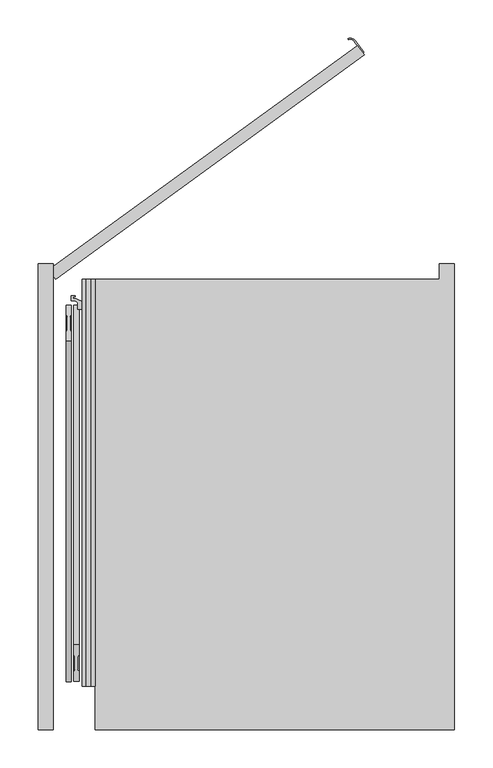
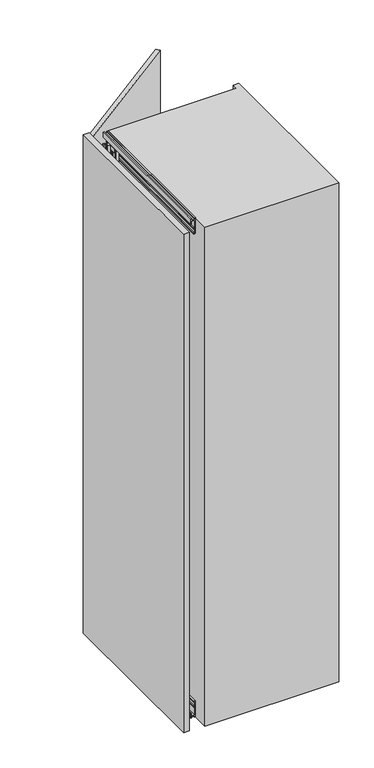
"""IFC4 building model written with IfcOpenShell, lengths in millimetres: furniture geometry."""

from ifc_helpers import new_model, si_unit, point, frame, frame_2d, origin, origin_with_axes, place, context, project, spatial, polyline, circle_curve, trimmed, segment, composite_curve, outline, extrude, faceted_brep, source, transform, mapped, element, save


def furniture_00e0ca67(model_context):
    return source(origin(), model_context, "Body", "SolidModel", [
        extrude(outline(composite_curve([segment(polyline([(350.7451414, 296.3196771), (339.8600452, 311.3017268)]), True, "CONTINUOUS"), segment(trimmed(circle_curve(frame_2d((334.2088338, 307.1958814)), 6.9852814), [point((339.8600452, 311.3017268))], [point((331.7055329, 313.7172034))], True, "CARTESIAN"), True, "CONTINUOUS"), segment(polyline([(331.7055329, 313.7172034), (331.167981, 315.117574)]), True, "CONTINUOUS"), segment(trimmed(circle_curve(frame_2d((334.2088338, 307.1958814)), 8.4852814), [point((331.167981, 315.117574))], [point((341.0735707, 312.1834047))], False, "CARTESIAN"), True, "CONTINUOUS"), segment(polyline([(341.0735707, 312.1834047), (351.9586669, 297.201355), (350.7451414, 296.3196771)]), True, "CONTINUOUS")], self_intersect=False)), frame((0.0, 0.0, 1110.0), z_axis=(0.0, 0.0, 1.0), x_axis=(1.0, 0.0, 0.0)), (0.0, 0.0, 1.0), 180.0),
        extrude(outline(polyline([(-60.8167788, 12.1352549), (343.6917184, 306.0278811), (352.5084972, 293.8926261), (-52.0, 0.0), (-60.8167788, 12.1352549)])), origin_with_axes(), (0.0, 0.0, 1.0), 1851.0),
        extrude(outline(polyline([(17.0, -17.0), (-2.0, -17.0), (-2.0, -12.75), (0.25, -12.75), (0.25, -15.0), (2.9, -15.0), (2.9, -3.0), (0.25, -3.0), (0.25, -5.25), (-2.0, -5.25), (-2.0, 0.0), (56.5663764, 0.0), (57.0913089, -6.0), (54.1547673, -6.0), (54.1547673, -2.5), (38.5, -2.5), (38.5, -6.0), (35.5, -6.0), (35.5, -3.0104888), (5.5, -3.0104888), (5.5, -15.0), (17.0, -15.0), (17.0, -17.0)])), frame((0.0, -533.0, 0.0), z_axis=(0.0, 1.0, 0.0), x_axis=(0.0, 0.0, 1.0)), (0.0, 0.0, 1.0), 533.0),
        extrude(outline(polyline([(1834.0, -15.0), (1845.5, -15.0), (1845.5, -3.0104888), (1815.5, -3.0104888), (1815.5, -6.0), (1812.5, -6.0), (1812.5, -2.5), (1796.8452327, -2.5), (1796.8452327, -6.0), (1793.9086911, -6.0), (1794.4336236, 0.0), (1853.0, 0.0), (1853.0, -5.25), (1850.75, -5.25), (1850.75, -3.0), (1848.1, -3.0), (1848.1, -15.0), (1850.75, -15.0), (1850.75, -12.75), (1853.0, -12.75), (1853.0, -17.0), (1834.0, -17.0), (1834.0, -15.0)])), frame((0.0, -533.0, 0.0), z_axis=(0.0, 1.0, 0.0), x_axis=(0.0, 0.0, 1.0)), (0.0, 0.0, 1.0), 533.0),
        faceted_brep([(-15.8313044, -44.5, 33.9), (-15.8313044, -44.5, 21.9), (-15.8313044, -68.7, 21.9), (-15.8313044, -68.7, 33.9), (-13.8052444, -68.7, 33.9), (-13.8052444, -68.7, 21.9), (-13.8052444, -44.5, 21.9), (-13.8052444, -44.5, 33.9), (-14.2052444, -68.7, 19.301924), (-14.2052444, -68.7, 21.9), (-14.2052444, -44.5, 21.9), (-14.2052444, -44.5, 19.301924), (-10.2052444, -81.5, 21.9), (-7.7858983, -81.5, 21.9), (-3.8052444, -77.5193461, 21.9), (-3.8052444, -35.5, 21.9), (-7.8052444, -31.5, 21.9), (-10.2052444, -31.5, 21.9), (-14.2052444, -35.5, 21.9), (-14.2052444, -77.5, 21.9), (-3.8052444, -70.0, 9.0920874), (-14.2052444, -70.0, 9.0920874), (-14.2052444, -42.8540496, 9.0920874), (-3.8052444, -42.8540496, 9.0920874), (-14.2052444, -77.5, 14.45), (-10.2052444, -81.5, 14.45), (-14.2052444, -70.0, 14.45), (-14.2052444, -35.5, 14.45), (-14.2052444, -42.8540496, 14.45), (-14.2052444, -64.0, 15.2), (-14.2052444, -64.0, 11.4378021), (-14.2052444, -49.0, 11.4378021), (-14.2052444, -49.0, 15.2), (-10.2052444, -31.5, 14.45), (-7.8052444, -31.5, 14.45), (-3.8052444, -35.5, 14.45), (-3.8052444, -77.5193461, 14.45), (-3.8052444, -70.0, 14.45), (-3.8052444, -42.8540496, 14.45), (-3.8052444, -49.0, 15.2), (-3.8052444, -49.0, 11.4378021), (-3.8052444, -64.0, 11.4378021), (-3.8052444, -64.0, 15.2), (-7.7858983, -81.5, 14.45)], [[[0, 1, 2, 3]], [[4, 5, 6, 7]], [[3, 4, 7, 0]], [[3, 2, 8, 9, 5, 4]], [[7, 6, 10, 11, 1, 0]], [[1, 11, 8, 2]], [[12, 13, 14, 15, 16, 17, 18, 10, 6, 5, 9, 19]], [[20, 21, 22, 23]], [[19, 24, 25, 12]], [[21, 26, 24, 19, 9, 8, 11, 10, 18, 27, 28, 22], [29, 30, 31, 32]], [[17, 33, 27, 18]], [[16, 34, 33, 17]], [[15, 35, 34, 16]], [[14, 36, 37, 20, 23, 38, 35, 15], [39, 40, 41, 42]], [[13, 43, 36, 14]], [[12, 25, 43, 13]], [[37, 36, 43, 25, 24, 26]], [[26, 21, 20, 37]], [[29, 32, 39, 42]], [[42, 41, 30, 29]], [[32, 31, 40, 39]], [[28, 27, 33, 34, 35, 38]], [[38, 23, 22, 28]], [[41, 40, 31, 30]]]),
        extrude(outline(composite_curve([segment(trimmed(circle_curve(frame_2d((-9.0052444, -37.1770248)), 5.75), [point((-9.0052444, -42.9270248))], [point((-9.0052444, -31.4270248))], False, "CARTESIAN"), True, "CONTINUOUS"), segment(trimmed(circle_curve(frame_2d((-9.0052444, -37.1770248)), 5.75), [point((-9.0052444, -31.4270248))], [point((-9.0052444, -42.9270248))], False, "CARTESIAN"), True, "CONTINUOUS")], self_intersect=False)), frame((0.0, 0.0, 6.65), z_axis=(0.0, 0.0, 1.0), x_axis=(1.0, 0.0, 0.0)), (0.0, 0.0, 1.0), 7.3),
        extrude(outline(composite_curve([segment(trimmed(circle_curve(frame_2d((-9.0052444, -56.5)), 5.75), [point((-9.0052444, -62.25))], [point((-9.0052444, -50.75))], False, "CARTESIAN"), True, "CONTINUOUS"), segment(trimmed(circle_curve(frame_2d((-9.0052444, -56.5)), 5.75), [point((-9.0052444, -50.75))], [point((-9.0052444, -62.25))], False, "CARTESIAN"), True, "CONTINUOUS")], self_intersect=False)), frame((0.0, 0.0, 11.4378021), z_axis=(0.0, 0.0, 1.0), x_axis=(1.0, 0.0, 0.0)), (0.0, 0.0, 1.0), 3.7621979),
        extrude(outline(composite_curve([segment(trimmed(circle_curve(frame_2d((-9.0052444, -75.75)), 5.75), [point((-9.0052444, -81.5))], [point((-9.0052444, -70.0))], False, "CARTESIAN"), True, "CONTINUOUS"), segment(trimmed(circle_curve(frame_2d((-9.0052444, -75.75)), 5.75), [point((-9.0052444, -70.0))], [point((-9.0052444, -81.5))], False, "CARTESIAN"), True, "CONTINUOUS")], self_intersect=False)), frame((0.0, 0.0, 6.65), z_axis=(0.0, 0.0, 1.0), x_axis=(1.0, 0.0, 0.0)), (0.0, 0.0, 1.0), 7.3),
        faceted_brep([(-15.8313044, -68.5, 1817.1), (-15.8313044, -68.5, 1829.1), (-15.8313044, -44.3, 1829.1), (-15.8313044, -44.3, 1817.1), (-13.8052444, -44.3, 1817.1), (-13.8052444, -44.3, 1829.1), (-13.8052444, -68.5, 1829.1), (-13.8052444, -68.5, 1817.1), (-14.2052444, -44.3, 1831.698076), (-14.2052444, -44.3, 1829.1), (-14.2052444, -68.5, 1829.1), (-14.2052444, -68.5, 1831.698076), (-10.2052444, -31.5, 1829.1), (-7.7858983, -31.5, 1829.1), (-3.8052444, -35.4806539, 1829.1), (-3.8052444, -77.5, 1829.1), (-7.8052444, -81.5, 1829.1), (-10.2052444, -81.5, 1829.1), (-14.2052444, -77.5, 1829.1), (-14.2052444, -35.5, 1829.1), (-3.8052444, -43.0, 1841.9079126), (-14.2052444, -43.0, 1841.9079126), (-14.2052444, -70.1459504, 1841.9079126), (-3.8052444, -70.1459504, 1841.9079126), (-14.2052444, -35.5, 1836.55), (-10.2052444, -31.5, 1836.55), (-14.2052444, -43.0, 1836.55), (-14.2052444, -77.5, 1836.55), (-14.2052444, -70.1459504, 1836.55), (-14.2052444, -49.0, 1835.8), (-14.2052444, -49.0, 1839.5621979), (-14.2052444, -64.0, 1839.5621979), (-14.2052444, -64.0, 1835.8), (-10.2052444, -81.5, 1836.55), (-7.8052444, -81.5, 1836.55), (-3.8052444, -77.5, 1836.55), (-3.8052444, -35.4806539, 1836.55), (-3.8052444, -43.0, 1836.55), (-3.8052444, -70.1459504, 1836.55), (-3.8052444, -64.0, 1835.8), (-3.8052444, -64.0, 1839.5621979), (-3.8052444, -49.0, 1839.5621979), (-3.8052444, -49.0, 1835.8), (-7.7858983, -31.5, 1836.55)], [[[0, 1, 2, 3]], [[4, 5, 6, 7]], [[3, 4, 7, 0]], [[3, 2, 8, 9, 5, 4]], [[7, 6, 10, 11, 1, 0]], [[1, 11, 8, 2]], [[12, 13, 14, 15, 16, 17, 18, 10, 6, 5, 9, 19]], [[20, 21, 22, 23]], [[19, 24, 25, 12]], [[21, 26, 24, 19, 9, 8, 11, 10, 18, 27, 28, 22], [29, 30, 31, 32]], [[17, 33, 27, 18]], [[16, 34, 33, 17]], [[15, 35, 34, 16]], [[14, 36, 37, 20, 23, 38, 35, 15], [39, 40, 41, 42]], [[13, 43, 36, 14]], [[12, 25, 43, 13]], [[37, 36, 43, 25, 24, 26]], [[26, 21, 20, 37]], [[29, 32, 39, 42]], [[42, 41, 30, 29]], [[32, 31, 40, 39]], [[28, 27, 33, 34, 35, 38]], [[38, 23, 22, 28]], [[41, 40, 31, 30]]]),
        extrude(outline(composite_curve([segment(trimmed(circle_curve(frame_2d((-9.0052444, -75.8229752)), 5.75), [point((-9.0052444, -70.0729752))], [point((-9.0052444, -81.5729752))], False, "CARTESIAN"), True, "CONTINUOUS"), segment(trimmed(circle_curve(frame_2d((-9.0052444, -75.8229752)), 5.75), [point((-9.0052444, -81.5729752))], [point((-9.0052444, -70.0729752))], False, "CARTESIAN"), True, "CONTINUOUS")], self_intersect=False)), frame((0.0, 0.0, 1837.05), z_axis=(0.0, 0.0, 1.0), x_axis=(1.0, 0.0, 0.0)), (0.0, 0.0, 1.0), 7.3),
        extrude(outline(composite_curve([segment(trimmed(circle_curve(frame_2d((-9.0052444, -56.5)), 5.75), [point((-9.0052444, -50.75))], [point((-9.0052444, -62.25))], False, "CARTESIAN"), True, "CONTINUOUS"), segment(trimmed(circle_curve(frame_2d((-9.0052444, -56.5)), 5.75), [point((-9.0052444, -62.25))], [point((-9.0052444, -50.75))], False, "CARTESIAN"), True, "CONTINUOUS")], self_intersect=False)), frame((0.0, 0.0, 1835.8), z_axis=(0.0, 0.0, 1.0), x_axis=(1.0, 0.0, 0.0)), (0.0, 0.0, 1.0), 3.7621979),
        extrude(outline(composite_curve([segment(trimmed(circle_curve(frame_2d((-9.0052444, -37.25)), 5.75), [point((-9.0052444, -31.5))], [point((-9.0052444, -43.0))], False, "CARTESIAN"), True, "CONTINUOUS"), segment(trimmed(circle_curve(frame_2d((-9.0052444, -37.25)), 5.75), [point((-9.0052444, -43.0))], [point((-9.0052444, -31.5))], False, "CARTESIAN"), True, "CONTINUOUS")], self_intersect=False)), frame((0.0, 0.0, 1837.05), z_axis=(0.0, 0.0, 1.0), x_axis=(1.0, 0.0, 0.0)), (0.0, 0.0, 1.0), 7.3),
        extrude(outline(polyline([(-8.4980052, -11.2885509), (-7.0980161, -8.7447792), (-7.0980161, 8.7447792), (-8.4980052, 11.2885509), (-8.4980052, 24.9437822), (-1.5019948, 24.9437822), (-1.5019948, 11.2885509), (-2.9019839, 8.7447792), (-2.9019839, -8.7447792), (-1.5019948, -11.2885509), (-1.5019948, -24.9437822), (-8.4980052, -24.9437822), (-8.4980052, -11.2885509)])), frame((-30.0, -503.0, 263.0), z_axis=(0.0, 0.2968216785838769, 0.9549329249338142), x_axis=(1.0, 0.0, 0.0)), (0.0, 0.0, 1.0), 1500.0),
        extrude(outline(polyline([(1.5019948, 11.2885509), (1.5019948, 24.9437822), (8.4980052, 24.9437822), (8.4980052, 11.2885509), (7.0980161, 8.7447792), (7.0980161, -8.7447792), (8.4980052, -11.2885509), (8.4980052, -24.9437823), (1.5019948, -24.9437823), (1.5019948, -11.2885509), (2.9019839, -8.7447792), (2.9019839, 8.7447792), (1.5019948, 11.2885509)])), frame((-30.0, -57.7674821, 330.6006126), z_axis=(0.0, -0.29682167858387626, 0.9549329249338144), x_axis=(1.0, 0.0, 0.0)), (0.0, 0.0, 1.0), 1500.0),
        extrude(outline(polyline([(-14.6, -76.0), (-14.6, -68.7), (-12.2, -68.7), (-12.2, -72.2), (-9.6, -72.2), (-9.6, -64.5), (-10.6, -63.5), (-10.6, -49.5), (-9.6, -48.5), (-9.6, -40.8), (-12.2, -40.8), (-12.2, -44.3), (-14.6, -44.3), (-14.6, -39.5), (-23.35, -39.5), (-23.35, -31.0), (-26.35, -28.0), (-31.6, -28.0), (-31.6, -21.5), (-26.3, -21.5), (-26.3, -23.2), (-29.1, -23.2), (-29.1, -25.5), (-25.2566983, -25.5), (-21.16538, -27.407813), (-15.99707, -29.2889243), (-14.7999998, -26.0), (-11.1, -26.0), (-10.1, -25.0), (-9.1, -25.0), (-9.1, -30.5928201), (-12.6, -28.5720943), (-12.6, -34.5), (-11.1, -36.0), (-8.85, -36.0), (-6.85, -38.0), (-6.85, -76.0), (-14.6, -76.0)])), frame((0.0, 0.0, 21.9), z_axis=(0.0, 0.0, 1.0), x_axis=(1.0, 0.0, 0.0)), (0.0, 0.0, 1.0), 1807.2),
        extrude(outline(polyline([(-75.0, -590.0), (-75.0, 20.0), (-55.0, 20.0), (-55.0, -590.0), (-75.0, -590.0)])), origin_with_axes(), (0.0, 0.0, 1.0), 1853.0),
        extrude(outline(polyline([(451.0, 0.0), (451.0, 20.0), (471.0, 20.0), (471.0, -590.0), (0.0, -590.0), (0.0, 0.0), (451.0, 0.0)])), frame((0.0, 0.0, -2.0), z_axis=(0.0, 0.0, 1.0), x_axis=(1.0, 0.0, 0.0)), (0.0, 0.0, 1.0), 1855.0),
    ])


if __name__ == "__main__":
    model = new_model("IFC4")
    model_context = context("Model", 3, world=origin())
    ifc_project = project(units=[si_unit("LENGTHUNIT", "METRE", prefix="MILLI")], contexts=[model_context])
    site = spatial("IfcSite", under=ifc_project)
    building = spatial("IfcBuilding", under=site)
    placement = place(None, origin())
    furniture_shape = furniture_00e0ca67(model_context)
    element("IfcFurniture", 1, at=placement, inside=building, context=model_context, shape_type="MappedRepresentation", body=[
        mapped(furniture_shape, transform((0.0, 0.0, 0.0), x_axis=(1.0, 0.0, 0.0), y_axis=(0.0, 1.0, 0.0), z_axis=(0.0, 0.0, 1.0))),
    ])
    save(model, "model.ifc")
